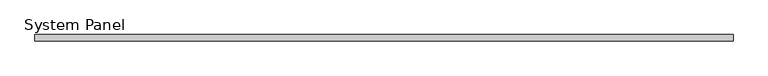
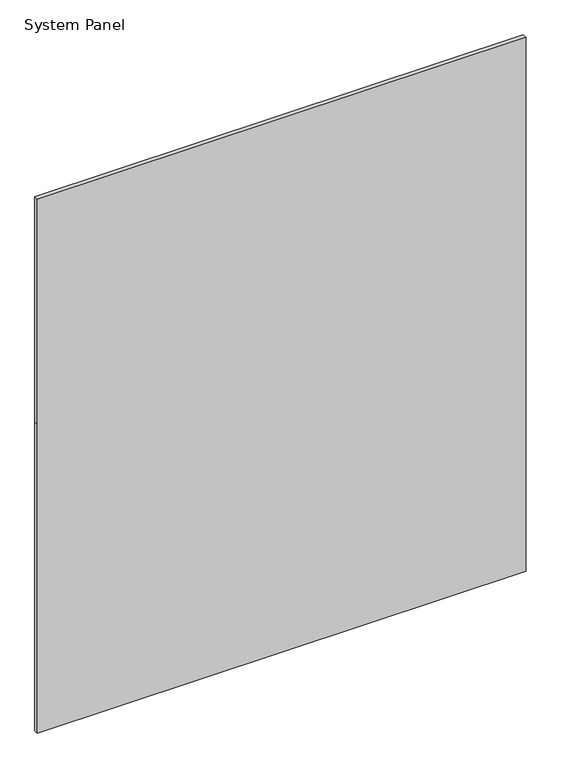
"""IFC4 building model written with IfcOpenShell, lengths in millimetres: plate geometry, System Panel."""

from ifc_helpers import new_model, si_unit, frame, origin, place, context, project, spatial, polyline, outline, extrude, source, transform, mapped, element, save


def system_panel_25fa17b9(model_context):
    return source(origin(), model_context, "Body", "SweptSolid", [
        extrude(outline(polyline([(0.0, -547.9675001), (0.0, 547.9675001), (732.21, 547.9675001), (1264.769375, 547.9675001), (1264.769375, -547.9675001), (732.21, -547.9675001), (0.0, -547.9675001)])), frame((0.0, -5.0, 0.0), z_axis=(0.0, 1.0, 0.0), x_axis=(0.0, 0.0, 1.0)), (0.0, 0.0, 1.0), 10.0),
    ])


if __name__ == "__main__":
    model = new_model("IFC4")
    model_context = context("Model", 3, world=origin())
    ifc_project = project(units=[si_unit("LENGTHUNIT", "METRE", prefix="MILLI")], contexts=[model_context])
    site = spatial("IfcSite", under=ifc_project)
    building = spatial("IfcBuilding", under=site)
    placement = place(None, origin())
    system_panel_shape = system_panel_25fa17b9(model_context)
    element("IfcPlate", 1, ObjectType="System Panel", at=placement, inside=building, context=model_context, shape_type="MappedRepresentation", body=[
        mapped(system_panel_shape, transform((0.0, 0.0, 0.0), x_axis=(1.0, 0.0, 0.0), y_axis=(0.0, 1.0, 0.0), z_axis=(0.0, 0.0, 1.0))),
    ])
    save(model, "model.ifc")
